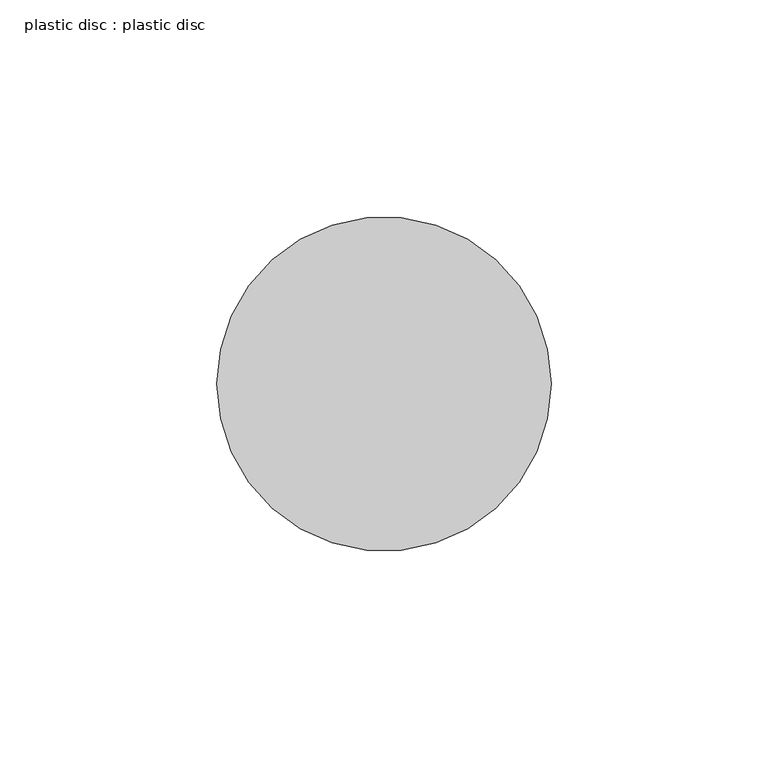
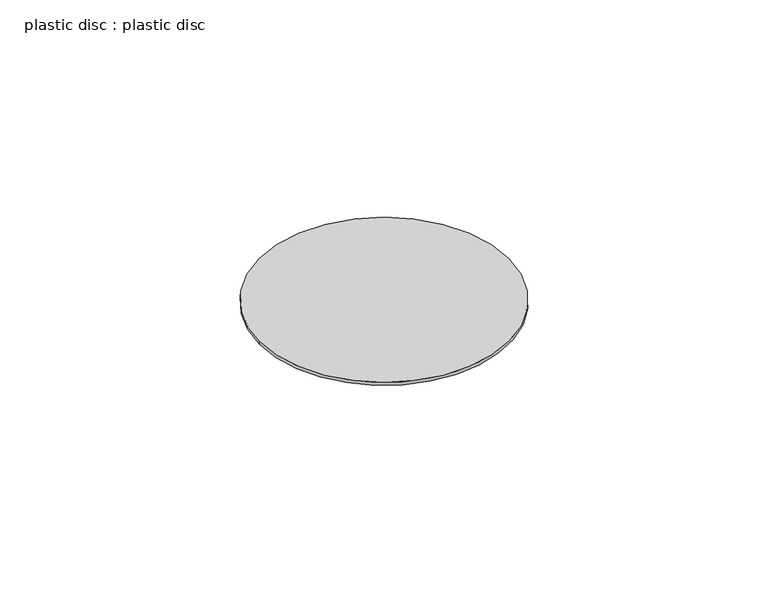
"""IFC4 building model written with IfcOpenShell, lengths in millimetres: proxy geometry, plastic disc : plastic disc."""

from ifc_helpers import new_model, si_unit, point, origin, origin_with_axes, origin_2d, place, context, project, spatial, circle_curve, trimmed, segment, composite_curve, outline, extrude, source, transform, mapped, element, save


def plastic_disc_plastic_disc_8665e7d5(model_context):
    return source(origin(), model_context, "Body", "SweptSolid", [
        extrude(outline(composite_curve([segment(trimmed(circle_curve(origin_2d(), 38.5), [point((-38.5, 0.0))], [point((38.5, 0.0))], False, "CARTESIAN"), True, "CONTINUOUS"), segment(trimmed(circle_curve(origin_2d(), 38.5), [point((38.5, 0.0))], [point((-38.5, 0.0))], False, "CARTESIAN"), True, "CONTINUOUS")], self_intersect=False)), origin_with_axes(), (0.0, 0.0, 1.0), 1.0),
    ])


if __name__ == "__main__":
    model = new_model("IFC4")
    model_context = context("Model", 3, world=origin())
    ifc_project = project(units=[si_unit("LENGTHUNIT", "METRE", prefix="MILLI")], contexts=[model_context])
    site = spatial("IfcSite", under=ifc_project)
    building = spatial("IfcBuilding", under=site)
    placement = place(None, origin())
    plastic_disc_plastic_disc_shape = plastic_disc_plastic_disc_8665e7d5(model_context)
    element("IfcBuildingElementProxy", 1, Name="plastic disc : plastic disc", ObjectType="plastic disc : plastic disc", at=placement, inside=building, context=model_context, shape_type="MappedRepresentation", body=[
        mapped(plastic_disc_plastic_disc_shape, transform((0.0, 0.0, 0.0), x_axis=(1.0, 0.0, 0.0), y_axis=(0.0, 1.0, 0.0), z_axis=(0.0, 0.0, 1.0))),
    ])
    save(model, "model.ifc")
